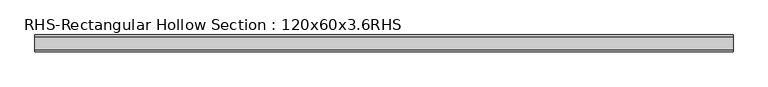
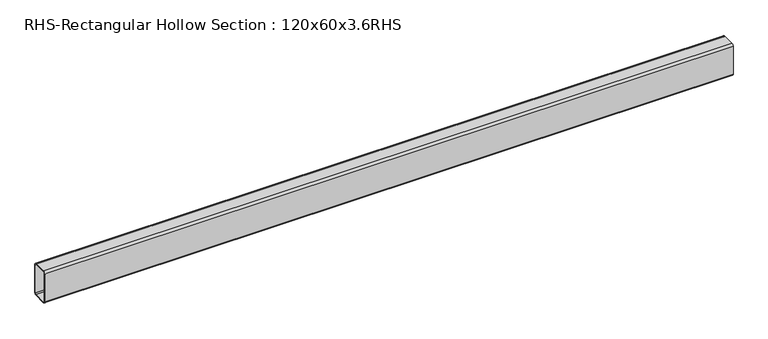
"""IFC4 building model written with IfcOpenShell, lengths in millimetres: beam geometry, RHS-Rectangular Hollow Section : 120x60x3.6RHS."""

from ifc_helpers import new_model, si_unit, point, frame, frame_2d, origin, place, context, project, spatial, polyline, circle_curve, trimmed, segment, composite_curve, outline, extrude, source, transform, mapped, element, save


def rhs_rectangular_hollow_section_120x60x3_6rhs_0feafffd(model_context):
    return source(origin(), model_context, "Body", "SweptSolid", [
        extrude(outline(composite_curve([segment(polyline([(30.0, 52.8), (30.0, -52.8)]), True, "CONTINUOUS"), segment(trimmed(circle_curve(frame_2d((22.8, -52.8)), 7.2), [point((30.0, -52.8))], [point((22.8, -60.0))], False, "CARTESIAN"), True, "CONTINUOUS"), segment(polyline([(22.8, -60.0), (-22.8, -60.0)]), True, "CONTINUOUS"), segment(trimmed(circle_curve(frame_2d((-22.8, -52.8)), 7.2), [point((-22.8, -60.0))], [point((-30.0, -52.8))], False, "CARTESIAN"), True, "CONTINUOUS"), segment(polyline([(-30.0, -52.8), (-30.0, 52.8)]), True, "CONTINUOUS"), segment(trimmed(circle_curve(frame_2d((-22.8, 52.8)), 7.2), [point((-30.0, 52.8))], [point((-22.8, 60.0))], False, "CARTESIAN"), True, "CONTINUOUS"), segment(polyline([(-22.8, 60.0), (22.8, 60.0)]), True, "CONTINUOUS"), segment(trimmed(circle_curve(frame_2d((22.8, 52.8)), 7.2), [point((22.8, 60.0))], [point((30.0, 52.8))], False, "CARTESIAN"), True, "CONTINUOUS")], self_intersect=False), holes=[composite_curve([segment(trimmed(circle_curve(frame_2d((-22.8, 52.8)), 3.6), [point((-22.8, 56.4))], [point((-26.4, 52.8))], True, "CARTESIAN"), True, "CONTINUOUS"), segment(polyline([(-26.4, 52.8), (-26.4, -52.8)]), True, "CONTINUOUS"), segment(trimmed(circle_curve(frame_2d((-22.8, -52.8)), 3.6), [point((-26.4, -52.8))], [point((-22.8, -56.4))], True, "CARTESIAN"), True, "CONTINUOUS"), segment(polyline([(-22.8, -56.4), (22.8, -56.4)]), True, "CONTINUOUS"), segment(trimmed(circle_curve(frame_2d((22.8, -52.8)), 3.6), [point((22.8, -56.4))], [point((26.4, -52.8))], True, "CARTESIAN"), True, "CONTINUOUS"), segment(polyline([(26.4, -52.8), (26.4, 52.8)]), True, "CONTINUOUS"), segment(trimmed(circle_curve(frame_2d((22.8, 52.8)), 3.6), [point((26.4, 52.8))], [point((22.8, 56.4))], True, "CARTESIAN"), True, "CONTINUOUS"), segment(polyline([(22.8, 56.4), (-22.8, 56.4)]), True, "CONTINUOUS")], self_intersect=False)]), frame((-1357.9903355, 0.0, 0.0), z_axis=(1.0, 0.0, 0.0), x_axis=(0.0, 1.0, 0.0)), (0.0, 0.0, 1.0), 2468.2762482),
    ])


if __name__ == "__main__":
    model = new_model("IFC4")
    model_context = context("Model", 3, world=origin())
    ifc_project = project(units=[si_unit("LENGTHUNIT", "METRE", prefix="MILLI")], contexts=[model_context])
    site = spatial("IfcSite", under=ifc_project)
    building = spatial("IfcBuilding", under=site)
    placement = place(None, origin())
    rhs_rectangular_hollow_section_120x60x3_6rhs_shape = rhs_rectangular_hollow_section_120x60x3_6rhs_0feafffd(model_context)
    element("IfcBeam", 1, ObjectType="RHS-Rectangular Hollow Section : 120x60x3.6RHS", at=placement, inside=building, context=model_context, shape_type="MappedRepresentation", body=[
        mapped(rhs_rectangular_hollow_section_120x60x3_6rhs_shape, transform((0.0, 0.0, 0.0), x_axis=(1.0, 0.0, 0.0), y_axis=(0.0, 1.0, 0.0), z_axis=(0.0, 0.0, 1.0))),
    ])
    save(model, "model.ifc")
